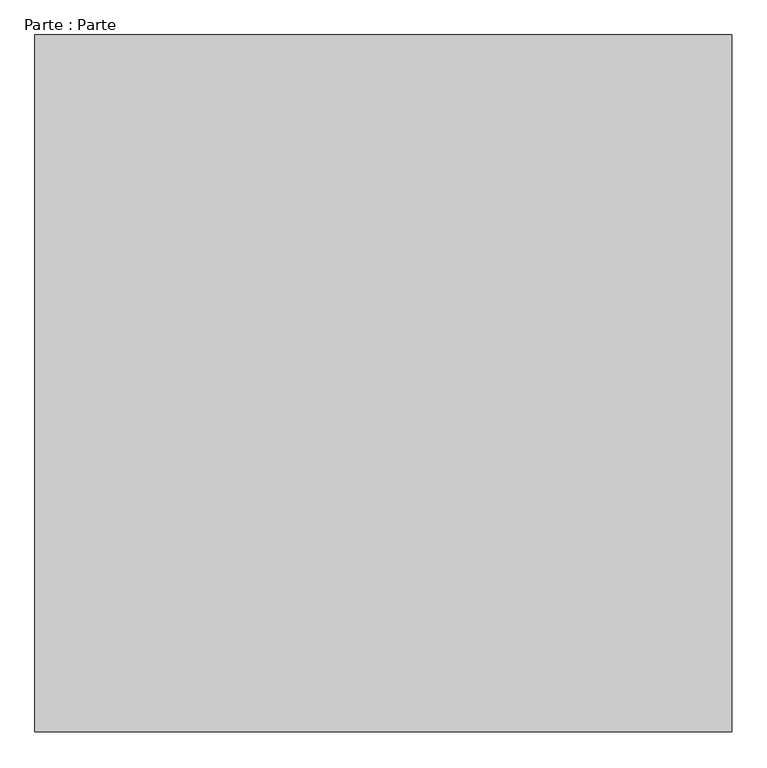
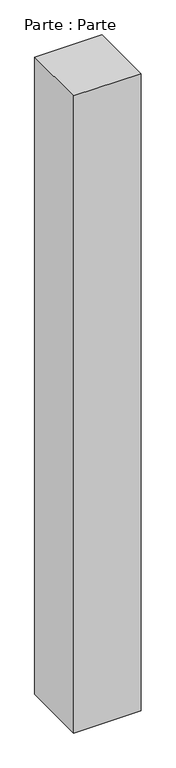
"""IFC4 building model written with IfcOpenShell, lengths in millimetres: proxy geometry, Parte : Parte."""

from ifc_helpers import new_model, si_unit, origin, origin_with_axes, place, context, project, spatial, polyline, outline, extrude, source, transform, mapped, element, save


def parte_parte_9cea0ed2(model_context):
    return source(origin(), model_context, "Body", "SweptSolid", [
        extrude(outline(polyline([(293.1364616, 621.025111), (293.1364616, -378.974889), (-706.8635384, -378.974889), (-706.8635384, 621.025111), (293.1364616, 621.025111)])), origin_with_axes(), (0.0, 0.0, 1.0), 10000.0),
    ])


if __name__ == "__main__":
    model = new_model("IFC4")
    model_context = context("Model", 3, world=origin())
    ifc_project = project(units=[si_unit("LENGTHUNIT", "METRE", prefix="MILLI")], contexts=[model_context])
    site = spatial("IfcSite", under=ifc_project)
    building = spatial("IfcBuilding", under=site)
    placement = place(None, origin())
    parte_parte_shape = parte_parte_9cea0ed2(model_context)
    element("IfcBuildingElementProxy", 1, Name="Parte : Parte", ObjectType="Parte : Parte", at=placement, inside=building, context=model_context, shape_type="MappedRepresentation", body=[
        mapped(parte_parte_shape, transform((0.0, 0.0, 0.0), x_axis=(1.0, 0.0, 0.0), y_axis=(0.0, 1.0, 0.0), z_axis=(0.0, 0.0, 1.0))),
    ])
    save(model, "model.ifc")
